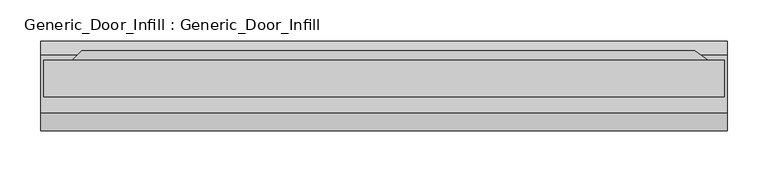
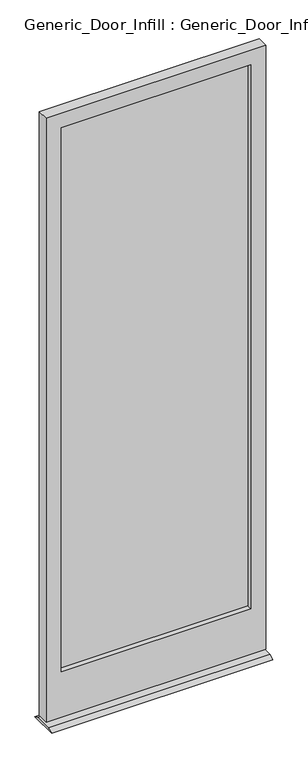
"""IFC4 building model written with IfcOpenShell, lengths in millimetres: plate geometry, Generic_Door_Infill : Generic_Door_Infill."""

from ifc_helpers import new_model, si_unit, frame, origin, place, context, project, spatial, polyline, outline, extrude, source, transform, mapped, element, save


def generic_door_infill_generic_door_infill_b44649c6(model_context):
    return source(origin(), model_context, "Body", "SweptSolid", [
        extrude(outline(polyline([(-369.3894878, 33.8355122), (379.8567123, 33.8355122), (405.5069821, 15.875), (-387.35, 15.875), (-369.3894878, 33.8355122)])), frame((0.0, 0.0, 1090.3849987), z_axis=(0.0, 0.0, 1.0), x_axis=(1.0, 0.0, 0.0)), (0.0, 0.0, 1.0), 78.0150013),
        extrude(outline(polyline([(-358.775, -3.175), (-358.775, 3.175), (358.775, 3.175), (358.775, -3.175), (-358.775, -3.175)])), frame((0.0, 0.0, 200.025), z_axis=(0.0, 0.0, 1.0), x_axis=(1.0, 0.0, 0.0)), (0.0, 0.0, 1.0), 2178.0697094),
        extrude(outline(polyline([(2435.2447094, 415.925), (2435.2447094, -415.925), (17.4625, -415.925), (17.4625, 415.925), (2435.2447094, 415.925)]), holes=[polyline([(2378.0947094, 358.775), (200.025, 358.775), (200.025, -358.775), (2378.0947094, -358.775), (2378.0947094, 358.775)])]), frame((0.0, -22.225, 0.0), z_axis=(0.0, 1.0, 0.0), x_axis=(0.0, 0.0, 1.0)), (0.0, 0.0, 1.0), 44.45),
        extrude(outline(polyline([(28.575, 8.0508779), (45.8401633, 0.0), (-63.3946052, 0.0), (-41.275, 8.0508779), (28.575, 8.0508779)])), frame((-419.1, 0.0, 0.0), z_axis=(1.0, 0.0, 0.0), x_axis=(0.0, 1.0, 0.0)), (0.0, 0.0, 1.0), 838.2),
    ])


if __name__ == "__main__":
    model = new_model("IFC4")
    model_context = context("Model", 3, world=origin())
    ifc_project = project(units=[si_unit("LENGTHUNIT", "METRE", prefix="MILLI")], contexts=[model_context])
    site = spatial("IfcSite", under=ifc_project)
    building = spatial("IfcBuilding", under=site)
    placement = place(None, origin())
    generic_door_infill_generic_door_infill_shape = generic_door_infill_generic_door_infill_b44649c6(model_context)
    element("IfcPlate", 1, ObjectType="Generic_Door_Infill : Generic_Door_Infill", at=placement, inside=building, context=model_context, shape_type="MappedRepresentation", body=[
        mapped(generic_door_infill_generic_door_infill_shape, transform((0.0, 0.0, 0.0), x_axis=(1.0, 0.0, 0.0), y_axis=(0.0, 1.0, 0.0), z_axis=(0.0, 0.0, 1.0))),
    ])
    save(model, "model.ifc")
